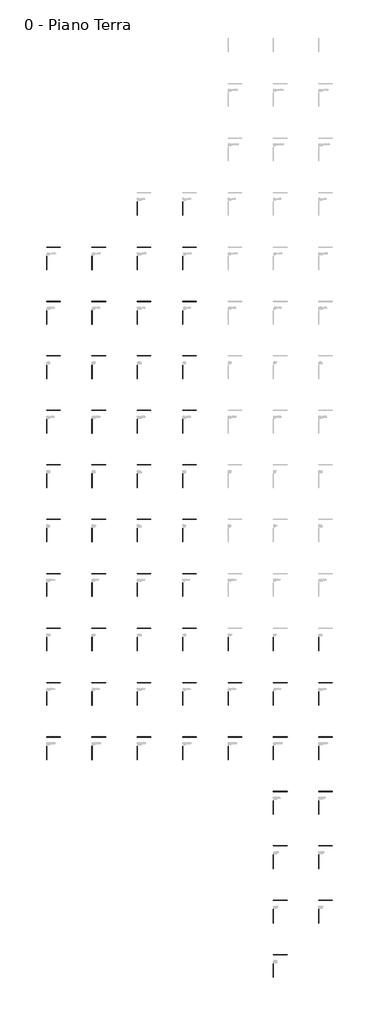
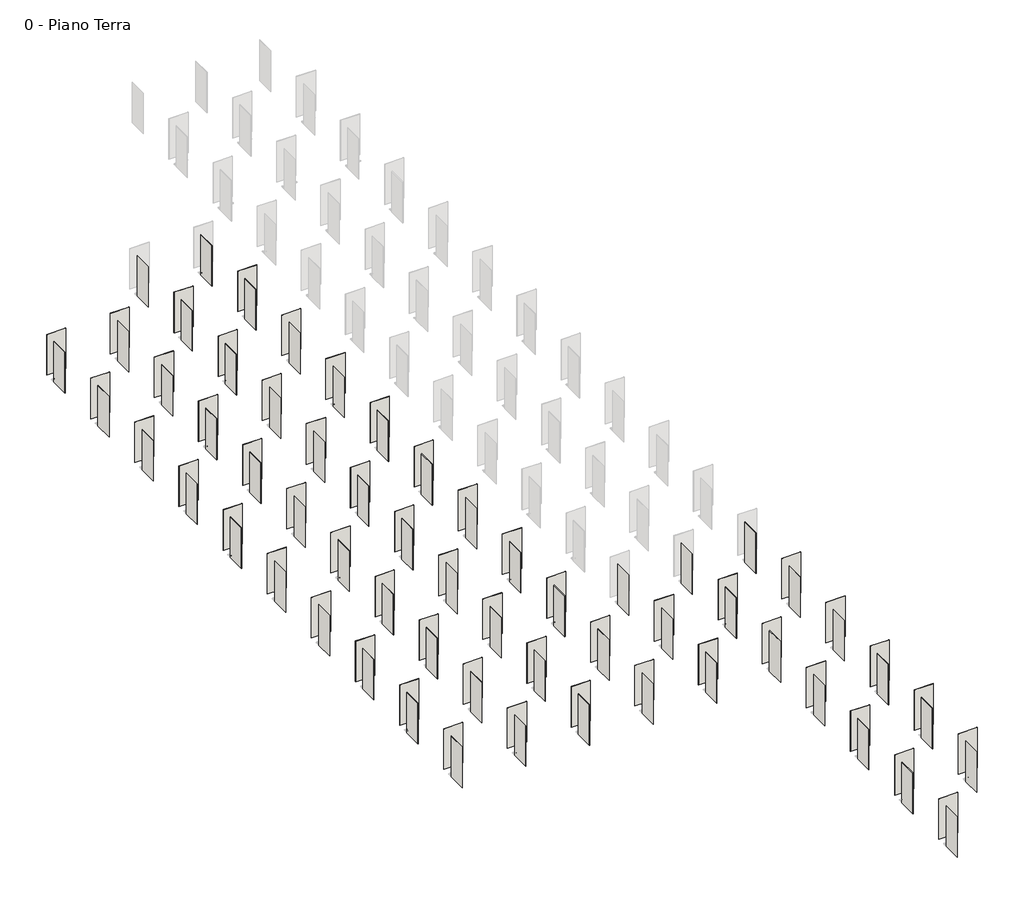
# One storey, part 1 of 35: 111 walls.
"""IFC4 building model written with IfcOpenShell, lengths in millimetres."""

import ifcopenshell
import ifcopenshell.guid

model = None  # the IFC model being written
_history = None  # IfcOwnerHistory: only IFC2X3 demands one
_inside = {}  # id of a spatial element -> (the spatial element, [elements in it])
_under = {}  # id of a project, library or spatial element -> (it, [spatial elements below it])
_declared = {}  # id of a project -> (the project, [libraries it declares])
_typed = {}  # id of a type object -> (the type object, [elements of that type])
_made_of = {}  # id of a material, layer set ... -> (it, [elements and type objects made of it])


def new_model(schema):
    """Start an empty IFC model of exactly this schema.

    Asked for "IFC4X3", IfcOpenShell would pick the latest addendum, in which some entities
    have other attributes; the version numbers below select the first issue.
    IFC2X3 requires an IfcOwnerHistory on every rooted entity: one is made here for all.
    """
    global model, _history
    if schema == "IFC4X3":
        model = ifcopenshell.file(schema_version=(4, 3, 0, 0))
    else:
        model = ifcopenshell.file(schema=schema)
    _inside.clear()
    _under.clear()
    _declared.clear()
    _typed.clear()
    _made_of.clear()
    _history = None
    if model.schema == "IFC2X3":
        org = make("IfcOrganization", Name="unknown")
        user = make(
            "IfcPersonAndOrganization",
            ThePerson=make("IfcPerson", FamilyName="unknown"),
            TheOrganization=org,
        )
        app = make(
            "IfcApplication",
            ApplicationDeveloper=org,
            Version="unknown",
            ApplicationFullName="unknown",
            ApplicationIdentifier="unknown",
        )
        _history = make(
            "IfcOwnerHistory",
            OwningUser=user,
            OwningApplication=app,
            ChangeAction="ADDED",
            CreationDate=0,
        )
    return model


def make(cls, **values):
    """One entity of the class cls with the attributes given. An attribute that is None is left unset."""
    return model.create_entity(
        cls, **{name: value for name, value in values.items() if value is not None}
    )


def rooted(cls, **values):
    """An entity with a GlobalId (a new one), such as an element, a storey or a relation."""
    return make(cls, GlobalId=ifcopenshell.guid.new(), OwnerHistory=_history, **values)


def si_unit(unit_type, name, prefix=None):
    """IfcSIUnit, for example si_unit("LENGTHUNIT", "METRE", prefix="MILLI")."""
    return make("IfcSIUnit", UnitType=unit_type, Prefix=prefix, Name=name)


def assignment(units):
    """IfcUnitAssignment: the units of a project."""
    return None if units is None else make("IfcUnitAssignment", Units=units)


def point(xyz):
    """IfcCartesianPoint."""
    return None if xyz is None else make("IfcCartesianPoint", Coordinates=xyz)


def direction(xyz):
    """IfcDirection."""
    return None if xyz is None else make("IfcDirection", DirectionRatios=xyz)


def frame(location, z_axis=None, x_axis=None):
    """IfcAxis2Placement3D, a coordinate frame: its origin and axes. An axis left out is left unset."""
    return make(
        "IfcAxis2Placement3D",
        Location=point(location),
        Axis=direction(z_axis),
        RefDirection=direction(x_axis),
    )


def origin():
    """The frame at (0, 0, 0) with its axes left unset."""
    return frame((0.0, 0.0, 0.0))


def origin_with_axes():
    """The frame at (0, 0, 0) with the z axis (0, 0, 1) and the x axis (1, 0, 0) written out."""
    return frame((0.0, 0.0, 0.0), z_axis=(0.0, 0.0, 1.0), x_axis=(1.0, 0.0, 0.0))


def place(relative_to, where):
    """IfcLocalPlacement: puts the frame where relative to a parent placement (None: the world)."""
    return make(
        "IfcLocalPlacement", PlacementRelTo=relative_to, RelativePlacement=where
    )


def context(
    kind, dimensions, precision=None, world=None, true_north=None, identifier=None
):
    """IfcGeometricRepresentationContext, for example the 3D "Model" context."""
    return make(
        "IfcGeometricRepresentationContext",
        ContextIdentifier=identifier,
        ContextType=kind,
        CoordinateSpaceDimension=dimensions,
        Precision=precision,
        WorldCoordinateSystem=world,
        TrueNorth=true_north,
    )


def project(units=None, contexts=None):
    """IfcProject with its units and contexts."""
    return rooted(
        "IfcProject",
        Name="project",
        RepresentationContexts=contexts,
        UnitsInContext=assignment(units),
    )


def spatial(cls, under=None, at=None, **own):
    """A site, building, storey or space (cls), placed at a placement, below another one or the project."""
    s = rooted(cls, ObjectPlacement=at, **own)
    if under is not None:
        _under.setdefault(under.id(), (under, []))[1].append(s)
    return s


def polyline(points):
    """IfcPolyline through the points."""
    return make("IfcPolyline", Points=[point(p) for p in points])


def outline(outer, holes=None, kind="AREA"):
    """IfcArbitraryClosedProfileDef: a profile drawn as a closed curve; with holes, ...WithVoids."""
    if holes is None:
        return make("IfcArbitraryClosedProfileDef", ProfileType=kind, OuterCurve=outer)
    return make(
        "IfcArbitraryProfileDefWithVoids",
        ProfileType=kind,
        OuterCurve=outer,
        InnerCurves=holes,
    )


def extrude(swept, where, along, depth):
    """IfcExtrudedAreaSolid: the profile swept, set in the frame where, extruded along a direction by depth."""
    return make(
        "IfcExtrudedAreaSolid",
        SweptArea=swept,
        Position=where,
        ExtrudedDirection=direction(along),
        Depth=depth,
    )


def shape(context_of_items, identifier, shape_type, items):
    """IfcShapeRepresentation: the items that make up one representation, for example the "Body"."""
    return make(
        "IfcShapeRepresentation",
        ContextOfItems=context_of_items,
        RepresentationIdentifier=identifier,
        RepresentationType=shape_type,
        Items=items,
    )


def made_of(thing, what):
    """Note that an element or type object is made of a material, layer set ...; save() writes the relation."""
    if what is not None:
        _made_of.setdefault(what.id(), (what, []))[1].append(thing)
    return thing


def element(
    cls,
    number,
    at=None,
    inside=None,
    cuts=None,
    type_object=None,
    material=None,
    context=None,
    identifier="Body",
    shape_type=None,
    held_by="IfcProductDefinitionShape",
    body=None,
    shapes=None,
    **own,
):
    """One element of the class cls, such as IfcWall. Its Tag is "e" and its number.

    at: its placement. inside: the storey or other place that contains it. cuts: it is an
    opening in that element (IfcRelVoidsElement). A single representation is given by context,
    identifier, shape_type and body (its items); several are given by shapes. held_by: the class
    of the entity that holds the representations. save() writes the other relations.
    """
    e = rooted(cls, Tag="e%d" % number, ObjectPlacement=at, **own)
    if body is not None:
        shapes = [shape(context, identifier, shape_type, body)]
    if shapes is not None:
        e.Representation = make(held_by, Representations=shapes)
    if inside is not None:
        _inside.setdefault(inside.id(), (inside, []))[1].append(e)
    if cuts is not None:
        rooted(
            "IfcRelVoidsElement", RelatingBuildingElement=cuts, RelatedOpeningElement=e
        )
    if type_object is not None:
        _typed.setdefault(type_object.id(), (type_object, []))[1].append(e)
    return made_of(e, material)


def aggregate(whole, parts):
    """IfcRelAggregates: a whole, such as a stair, and the parts it consists of."""
    return rooted("IfcRelAggregates", RelatingObject=whole, RelatedObjects=parts)


def save(model, path):
    """Write the relations noted so far, then the file.

    IfcRelAggregates (storeys below a building ...), IfcRelContainedInSpatialStructure (elements
    in a storey), IfcRelDefinesByType, IfcRelAssociatesMaterial and IfcRelDeclares: one each for
    every whole, place, type object, material and project.
    """
    for whole, parts in _under.values():
        aggregate(whole, parts)
    for where, things in _inside.values():
        rooted(
            "IfcRelContainedInSpatialStructure",
            RelatedElements=things,
            RelatingStructure=where,
        )
    for kind, things in _typed.values():
        rooted("IfcRelDefinesByType", RelatedObjects=things, RelatingType=kind)
    for what, things in _made_of.values():
        rooted("IfcRelAssociatesMaterial", RelatedObjects=things, RelatingMaterial=what)
    for by, libraries in _declared.values():
        rooted("IfcRelDeclares", RelatingContext=by, RelatedDefinitions=libraries)
    model.write(path)


model = new_model("IFC4")

# Units and contexts
model_context = context("Model", 3, world=origin())
ifc_project = project(units=[si_unit("LENGTHUNIT", "METRE", prefix="MILLI")], contexts=[model_context])

# Site, building, storey
site = spatial("IfcSite", under=ifc_project)
building = spatial("IfcBuilding", under=site)
storey = spatial("IfcBuildingStorey", under=building, Name="0 - Piano Terra", Elevation=0.0)

# Walls
placement = place(None, origin())
element("IfcWall", 1, at=placement, inside=storey, context=model_context, shape_type="SweptSolid", body=[
    extrude(outline(polyline([(-779.2581598, -5549.9429114), (-2279.2581598, -5549.9429114), (-2279.2581598, -5537.9429114), (-779.2581598, -5537.9429114), (-779.2581598, -5549.9429114)])), origin_with_axes(), (0.0, 0.0, 1.0), 3365.0),
])
element("IfcWall", 2, at=placement, inside=storey, context=model_context, shape_type="SweptSolid", body=[
    extrude(outline(polyline([(-5779.2581598, -5549.9429114), (-7279.2581598, -5549.9429114), (-7279.2581598, -5537.9429114), (-5779.2581598, -5537.9429114), (-5779.2581598, -5549.9429114)])), origin_with_axes(), (0.0, 0.0, 1.0), 3365.0),
])
element("IfcWall", 3, at=placement, inside=storey, context=model_context, shape_type="SweptSolid", body=[
    extrude(outline(polyline([(-779.2581598, -11549.9429114), (-2279.2581598, -11549.9429114), (-2279.2581598, -11537.9429114), (-779.2581598, -11537.9429114), (-779.2581598, -11549.9429114)])), origin_with_axes(), (0.0, 0.0, 1.0), 3365.0),
])
element("IfcWall", 4, at=placement, inside=storey, context=model_context, shape_type="SweptSolid", body=[
    extrude(outline(polyline([(-5779.2581598, -11549.9429114), (-7279.2581598, -11549.9429114), (-7279.2581598, -11537.9429114), (-5779.2581598, -11537.9429114), (-5779.2581598, -11549.9429114)])), origin_with_axes(), (0.0, 0.0, 1.0), 3365.0),
])
element("IfcWall", 5, at=placement, inside=storey, context=model_context, shape_type="SweptSolid", body=[
    extrude(outline(polyline([(-10779.2581598, -5549.9429114), (-12279.2581598, -5549.9429114), (-12279.2581598, -5537.9429114), (-10779.2581598, -5537.9429114), (-10779.2581598, -5549.9429114)])), origin_with_axes(), (0.0, 0.0, 1.0), 3365.0),
])
element("IfcWall", 6, at=placement, inside=storey, context=model_context, shape_type="SweptSolid", body=[
    extrude(outline(polyline([(-15779.2581598, -5549.9429114), (-17279.2581598, -5549.9429114), (-17279.2581598, -5537.9429114), (-15779.2581598, -5537.9429114), (-15779.2581598, -5549.9429114)])), origin_with_axes(), (0.0, 0.0, 1.0), 3365.0),
])
element("IfcWall", 7, at=placement, inside=storey, context=model_context, shape_type="SweptSolid", body=[
    extrude(outline(polyline([(-10779.2581598, -11549.9429114), (-12279.2581598, -11549.9429114), (-12279.2581598, -11537.9429114), (-10779.2581598, -11537.9429114), (-10779.2581598, -11549.9429114)])), origin_with_axes(), (0.0, 0.0, 1.0), 3365.0),
])
element("IfcWall", 8, at=placement, inside=storey, context=model_context, shape_type="SweptSolid", body=[
    extrude(outline(polyline([(-15779.2581598, -11549.9429114), (-17279.2581598, -11549.9429114), (-17279.2581598, -11537.9429114), (-15779.2581598, -11537.9429114), (-15779.2581598, -11549.9429114)])), origin_with_axes(), (0.0, 0.0, 1.0), 3365.0),
])
element("IfcWall", 9, at=placement, inside=storey, context=model_context, shape_type="SweptSolid", body=[
    extrude(outline(polyline([(-779.2581598, -17549.9429114), (-2279.2581598, -17549.9429114), (-2279.2581598, -17537.9429114), (-779.2581598, -17537.9429114), (-779.2581598, -17549.9429114)])), origin_with_axes(), (0.0, 0.0, 1.0), 3365.0),
])
element("IfcWall", 10, at=placement, inside=storey, context=model_context, shape_type="SweptSolid", body=[
    extrude(outline(polyline([(-5779.2581598, -17549.9429114), (-7279.2581598, -17549.9429114), (-7279.2581598, -17537.9429114), (-5779.2581598, -17537.9429114), (-5779.2581598, -17549.9429114)])), origin_with_axes(), (0.0, 0.0, 1.0), 3365.0),
])
element("IfcWall", 11, at=placement, inside=storey, context=model_context, shape_type="SweptSolid", body=[
    extrude(outline(polyline([(-10779.2581598, -17549.9429114), (-12279.2581598, -17549.9429114), (-12279.2581598, -17537.9429114), (-10779.2581598, -17537.9429114), (-10779.2581598, -17549.9429114)])), origin_with_axes(), (0.0, 0.0, 1.0), 3365.0),
])
element("IfcWall", 12, at=placement, inside=storey, context=model_context, shape_type="SweptSolid", body=[
    extrude(outline(polyline([(-15779.2581598, -17549.9429114), (-17279.2581598, -17549.9429114), (-17279.2581598, -17537.9429114), (-15779.2581598, -17537.9429114), (-15779.2581598, -17549.9429114)])), origin_with_axes(), (0.0, 0.0, 1.0), 3365.0),
])
element("IfcWall", 13, at=placement, inside=storey, context=model_context, shape_type="SweptSolid", body=[
    extrude(outline(polyline([(-779.2581598, -23549.9429114), (-2279.2581598, -23549.9429114), (-2279.2581598, -23537.9429114), (-779.2581598, -23537.9429114), (-779.2581598, -23549.9429114)])), origin_with_axes(), (0.0, 0.0, 1.0), 3365.0),
])
element("IfcWall", 14, at=placement, inside=storey, context=model_context, shape_type="SweptSolid", body=[
    extrude(outline(polyline([(-5779.2581598, -23549.9429114), (-7279.2581598, -23549.9429114), (-7279.2581598, -23537.9429114), (-5779.2581598, -23537.9429114), (-5779.2581598, -23549.9429114)])), origin_with_axes(), (0.0, 0.0, 1.0), 3365.0),
])
element("IfcWall", 15, at=placement, inside=storey, context=model_context, shape_type="SweptSolid", body=[
    extrude(outline(polyline([(-10779.2581598, -23549.9429114), (-12279.2581598, -23549.9429114), (-12279.2581598, -23537.9429114), (-10779.2581598, -23537.9429114), (-10779.2581598, -23549.9429114)])), origin_with_axes(), (0.0, 0.0, 1.0), 3365.0),
])
element("IfcWall", 16, at=placement, inside=storey, context=model_context, shape_type="SweptSolid", body=[
    extrude(outline(polyline([(-15779.2581598, -23549.9429114), (-17279.2581598, -23549.9429114), (-17279.2581598, -23537.9429114), (-15779.2581598, -23537.9429114), (-15779.2581598, -23549.9429114)])), origin_with_axes(), (0.0, 0.0, 1.0), 3365.0),
])
element("IfcWall", 17, at=placement, inside=storey, context=model_context, shape_type="SweptSolid", body=[
    extrude(outline(polyline([(-779.2581598, -29549.9429114), (-2279.2581598, -29549.9429114), (-2279.2581598, -29537.9429114), (-779.2581598, -29537.9429114), (-779.2581598, -29549.9429114)])), origin_with_axes(), (0.0, 0.0, 1.0), 3365.0),
])
element("IfcWall", 18, at=placement, inside=storey, context=model_context, shape_type="SweptSolid", body=[
    extrude(outline(polyline([(-5779.2581598, -29549.9429114), (-7279.2581598, -29549.9429114), (-7279.2581598, -29537.9429114), (-5779.2581598, -29537.9429114), (-5779.2581598, -29549.9429114)])), origin_with_axes(), (0.0, 0.0, 1.0), 3365.0),
])
element("IfcWall", 19, at=placement, inside=storey, context=model_context, shape_type="SweptSolid", body=[
    extrude(outline(polyline([(-10779.2581598, -29549.9429114), (-12279.2581598, -29549.9429114), (-12279.2581598, -29537.9429114), (-10779.2581598, -29537.9429114), (-10779.2581598, -29549.9429114)])), origin_with_axes(), (0.0, 0.0, 1.0), 3365.0),
])
element("IfcWall", 20, at=placement, inside=storey, context=model_context, shape_type="SweptSolid", body=[
    extrude(outline(polyline([(-15779.2581598, -29549.9429114), (-17279.2581598, -29549.9429114), (-17279.2581598, -29537.9429114), (-15779.2581598, -29537.9429114), (-15779.2581598, -29549.9429114)])), origin_with_axes(), (0.0, 0.0, 1.0), 3365.0),
])
element("IfcWall", 21, at=placement, inside=storey, context=model_context, shape_type="SweptSolid", body=[
    extrude(outline(polyline([(-779.2581598, -35549.9429114), (-2279.2581598, -35549.9429114), (-2279.2581598, -35537.9429114), (-779.2581598, -35537.9429114), (-779.2581598, -35549.9429114)])), origin_with_axes(), (0.0, 0.0, 1.0), 3365.0),
])
element("IfcWall", 22, at=placement, inside=storey, context=model_context, shape_type="SweptSolid", body=[
    extrude(outline(polyline([(-5779.2581598, -35549.9429114), (-7279.2581598, -35549.9429114), (-7279.2581598, -35537.9429114), (-5779.2581598, -35537.9429114), (-5779.2581598, -35549.9429114)])), origin_with_axes(), (0.0, 0.0, 1.0), 3365.0),
])
element("IfcWall", 23, at=placement, inside=storey, context=model_context, shape_type="SweptSolid", body=[
    extrude(outline(polyline([(-10779.2581598, -35549.9429114), (-12279.2581598, -35549.9429114), (-12279.2581598, -35537.9429114), (-10779.2581598, -35537.9429114), (-10779.2581598, -35549.9429114)])), origin_with_axes(), (0.0, 0.0, 1.0), 3365.0),
])
element("IfcWall", 24, at=placement, inside=storey, context=model_context, shape_type="SweptSolid", body=[
    extrude(outline(polyline([(-15779.2581598, -35549.9429114), (-17279.2581598, -35549.9429114), (-17279.2581598, -35537.9429114), (-15779.2581598, -35537.9429114), (-15779.2581598, -35549.9429114)])), origin_with_axes(), (0.0, 0.0, 1.0), 3365.0),
])
element("IfcWall", 25, at=placement, inside=storey, context=model_context, shape_type="SweptSolid", body=[
    extrude(outline(polyline([(-779.2581598, -41549.9429114), (-2279.2581598, -41549.9429114), (-2279.2581598, -41537.9429114), (-779.2581598, -41537.9429114), (-779.2581598, -41549.9429114)])), origin_with_axes(), (0.0, 0.0, 1.0), 3365.0),
])
element("IfcWall", 26, at=placement, inside=storey, context=model_context, shape_type="SweptSolid", body=[
    extrude(outline(polyline([(-5779.2581598, -41549.9429114), (-7279.2581598, -41549.9429114), (-7279.2581598, -41537.9429114), (-5779.2581598, -41537.9429114), (-5779.2581598, -41549.9429114)])), origin_with_axes(), (0.0, 0.0, 1.0), 3365.0),
])
element("IfcWall", 27, at=placement, inside=storey, context=model_context, shape_type="SweptSolid", body=[
    extrude(outline(polyline([(-10779.2581598, -41549.9429114), (-12279.2581598, -41549.9429114), (-12279.2581598, -41537.9429114), (-10779.2581598, -41537.9429114), (-10779.2581598, -41549.9429114)])), origin_with_axes(), (0.0, 0.0, 1.0), 3365.0),
])
element("IfcWall", 28, at=placement, inside=storey, context=model_context, shape_type="SweptSolid", body=[
    extrude(outline(polyline([(-15779.2581598, -41549.9429114), (-17279.2581598, -41549.9429114), (-17279.2581598, -41537.9429114), (-15779.2581598, -41537.9429114), (-15779.2581598, -41549.9429114)])), origin_with_axes(), (0.0, 0.0, 1.0), 3365.0),
])
element("IfcWall", 29, at=placement, inside=storey, context=model_context, shape_type="SweptSolid", body=[
    extrude(outline(polyline([(-779.2581598, -47549.9429114), (-2279.2581598, -47549.9429114), (-2279.2581598, -47537.9429114), (-779.2581598, -47537.9429114), (-779.2581598, -47549.9429114)])), origin_with_axes(), (0.0, 0.0, 1.0), 3365.0),
])
element("IfcWall", 30, at=placement, inside=storey, context=model_context, shape_type="SweptSolid", body=[
    extrude(outline(polyline([(-5779.2581598, -47549.9429114), (-7279.2581598, -47549.9429114), (-7279.2581598, -47537.9429114), (-5779.2581598, -47537.9429114), (-5779.2581598, -47549.9429114)])), origin_with_axes(), (0.0, 0.0, 1.0), 3365.0),
])
element("IfcWall", 31, at=placement, inside=storey, context=model_context, shape_type="SweptSolid", body=[
    extrude(outline(polyline([(-10779.2581598, -47549.9429114), (-12279.2581598, -47549.9429114), (-12279.2581598, -47537.9429114), (-10779.2581598, -47537.9429114), (-10779.2581598, -47549.9429114)])), origin_with_axes(), (0.0, 0.0, 1.0), 3365.0),
])
element("IfcWall", 32, at=placement, inside=storey, context=model_context, shape_type="SweptSolid", body=[
    extrude(outline(polyline([(-15779.2581598, -47549.9429114), (-17279.2581598, -47549.9429114), (-17279.2581598, -47537.9429114), (-15779.2581598, -47537.9429114), (-15779.2581598, -47549.9429114)])), origin_with_axes(), (0.0, 0.0, 1.0), 3365.0),
])
element("IfcWall", 33, at=placement, inside=storey, context=model_context, shape_type="SweptSolid", body=[
    extrude(outline(polyline([(4220.7418402, -53549.9429114), (2720.7418402, -53549.9429114), (2720.7418402, -53537.9429114), (4220.7418402, -53537.9429114), (4220.7418402, -53549.9429114)])), origin_with_axes(), (0.0, 0.0, 1.0), 3365.0),
])
element("IfcWall", 34, at=placement, inside=storey, context=model_context, shape_type="SweptSolid", body=[
    extrude(outline(polyline([(9220.7418402, -53549.9429114), (7720.7418402, -53549.9429114), (7720.7418402, -53537.9429114), (9220.7418402, -53537.9429114), (9220.7418402, -53549.9429114)])), origin_with_axes(), (0.0, 0.0, 1.0), 3365.0),
])
element("IfcWall", 35, at=placement, inside=storey, context=model_context, shape_type="SweptSolid", body=[
    extrude(outline(polyline([(14220.7418402, -53549.9429114), (12720.7418402, -53549.9429114), (12720.7418402, -53537.9429114), (14220.7418402, -53537.9429114), (14220.7418402, -53549.9429114)])), origin_with_axes(), (0.0, 0.0, 1.0), 3365.0),
])
element("IfcWall", 36, at=placement, inside=storey, context=model_context, shape_type="SweptSolid", body=[
    extrude(outline(polyline([(-779.2581598, -53549.9429114), (-2279.2581598, -53549.9429114), (-2279.2581598, -53537.9429114), (-779.2581598, -53537.9429114), (-779.2581598, -53549.9429114)])), origin_with_axes(), (0.0, 0.0, 1.0), 3365.0),
])
element("IfcWall", 37, at=placement, inside=storey, context=model_context, shape_type="SweptSolid", body=[
    extrude(outline(polyline([(-5779.2581598, -53549.9429114), (-7279.2581598, -53549.9429114), (-7279.2581598, -53537.9429114), (-5779.2581598, -53537.9429114), (-5779.2581598, -53549.9429114)])), origin_with_axes(), (0.0, 0.0, 1.0), 3365.0),
])
element("IfcWall", 38, at=placement, inside=storey, context=model_context, shape_type="SweptSolid", body=[
    extrude(outline(polyline([(-10779.2581598, -53549.9429114), (-12279.2581598, -53549.9429114), (-12279.2581598, -53537.9429114), (-10779.2581598, -53537.9429114), (-10779.2581598, -53549.9429114)])), origin_with_axes(), (0.0, 0.0, 1.0), 3365.0),
])
element("IfcWall", 39, at=placement, inside=storey, context=model_context, shape_type="SweptSolid", body=[
    extrude(outline(polyline([(-15779.2581598, -53549.9429114), (-17279.2581598, -53549.9429114), (-17279.2581598, -53537.9429114), (-15779.2581598, -53537.9429114), (-15779.2581598, -53549.9429114)])), origin_with_axes(), (0.0, 0.0, 1.0), 3365.0),
])
element("IfcWall", 40, at=placement, inside=storey, context=model_context, shape_type="SweptSolid", body=[
    extrude(outline(polyline([(4220.7418402, -59549.9429114), (2720.7418402, -59549.9429114), (2720.7418402, -59537.9429114), (4220.7418402, -59537.9429114), (4220.7418402, -59549.9429114)])), origin_with_axes(), (0.0, 0.0, 1.0), 3365.0),
])
element("IfcWall", 41, at=placement, inside=storey, context=model_context, shape_type="SweptSolid", body=[
    extrude(outline(polyline([(9220.7418402, -59549.9429114), (7720.7418402, -59549.9429114), (7720.7418402, -59537.9429114), (9220.7418402, -59537.9429114), (9220.7418402, -59549.9429114)])), origin_with_axes(), (0.0, 0.0, 1.0), 3365.0),
])
element("IfcWall", 42, at=placement, inside=storey, context=model_context, shape_type="SweptSolid", body=[
    extrude(outline(polyline([(14220.7418402, -59549.9429114), (12720.7418402, -59549.9429114), (12720.7418402, -59537.9429114), (14220.7418402, -59537.9429114), (14220.7418402, -59549.9429114)])), origin_with_axes(), (0.0, 0.0, 1.0), 3365.0),
])
element("IfcWall", 43, at=placement, inside=storey, context=model_context, shape_type="SweptSolid", body=[
    extrude(outline(polyline([(-779.2581598, -59549.9429114), (-2279.2581598, -59549.9429114), (-2279.2581598, -59537.9429114), (-779.2581598, -59537.9429114), (-779.2581598, -59549.9429114)])), origin_with_axes(), (0.0, 0.0, 1.0), 3365.0),
])
element("IfcWall", 44, at=placement, inside=storey, context=model_context, shape_type="SweptSolid", body=[
    extrude(outline(polyline([(-5779.2581598, -59549.9429114), (-7279.2581598, -59549.9429114), (-7279.2581598, -59537.9429114), (-5779.2581598, -59537.9429114), (-5779.2581598, -59549.9429114)])), origin_with_axes(), (0.0, 0.0, 1.0), 3365.0),
])
element("IfcWall", 45, at=placement, inside=storey, context=model_context, shape_type="SweptSolid", body=[
    extrude(outline(polyline([(-10779.2581598, -59549.9429114), (-12279.2581598, -59549.9429114), (-12279.2581598, -59537.9429114), (-10779.2581598, -59537.9429114), (-10779.2581598, -59549.9429114)])), origin_with_axes(), (0.0, 0.0, 1.0), 3365.0),
])
element("IfcWall", 46, at=placement, inside=storey, context=model_context, shape_type="SweptSolid", body=[
    extrude(outline(polyline([(-15779.2581598, -59549.9429114), (-17279.2581598, -59549.9429114), (-17279.2581598, -59537.9429114), (-15779.2581598, -59537.9429114), (-15779.2581598, -59549.9429114)])), origin_with_axes(), (0.0, 0.0, 1.0), 3365.0),
])
element("IfcWall", 47, at=placement, inside=storey, context=model_context, shape_type="SweptSolid", body=[
    extrude(outline(polyline([(9220.7418402, -65549.9429114), (7720.7418402, -65549.9429114), (7720.7418402, -65537.9429114), (9220.7418402, -65537.9429114), (9220.7418402, -65549.9429114)])), origin_with_axes(), (0.0, 0.0, 1.0), 3365.0),
])
element("IfcWall", 48, at=placement, inside=storey, context=model_context, shape_type="SweptSolid", body=[
    extrude(outline(polyline([(14220.7418402, -65549.9429114), (12720.7418402, -65549.9429114), (12720.7418402, -65537.9429114), (14220.7418402, -65537.9429114), (14220.7418402, -65549.9429114)])), origin_with_axes(), (0.0, 0.0, 1.0), 3365.0),
])
element("IfcWall", 49, at=placement, inside=storey, context=model_context, shape_type="SweptSolid", body=[
    extrude(outline(polyline([(9220.7418402, -71549.9429114), (7720.7418402, -71549.9429114), (7720.7418402, -71537.9429114), (9220.7418402, -71537.9429114), (9220.7418402, -71549.9429114)])), origin_with_axes(), (0.0, 0.0, 1.0), 3365.0),
])
element("IfcWall", 50, at=placement, inside=storey, context=model_context, shape_type="SweptSolid", body=[
    extrude(outline(polyline([(14220.7418402, -71549.9429114), (12720.7418402, -71549.9429114), (12720.7418402, -71537.9429114), (14220.7418402, -71537.9429114), (14220.7418402, -71549.9429114)])), origin_with_axes(), (0.0, 0.0, 1.0), 3365.0),
])
element("IfcWall", 51, at=placement, inside=storey, context=model_context, shape_type="SweptSolid", body=[
    extrude(outline(polyline([(9220.7418402, -77549.9429114), (7720.7418402, -77549.9429114), (7720.7418402, -77537.9429114), (9220.7418402, -77537.9429114), (9220.7418402, -77549.9429114)])), origin_with_axes(), (0.0, 0.0, 1.0), 3365.0),
])
element("IfcWall", 52, at=placement, inside=storey, context=model_context, shape_type="SweptSolid", body=[
    extrude(outline(polyline([(14220.7418402, -77549.9429114), (12720.7418402, -77549.9429114), (12720.7418402, -77537.9429114), (14220.7418402, -77537.9429114), (14220.7418402, -77549.9429114)])), origin_with_axes(), (0.0, 0.0, 1.0), 3365.0),
])
element("IfcWall", 53, at=placement, inside=storey, context=model_context, shape_type="SweptSolid", body=[
    extrude(outline(polyline([(9220.7418402, -83549.9429114), (7720.7418402, -83549.9429114), (7720.7418402, -83537.9429114), (9220.7418402, -83537.9429114), (9220.7418402, -83549.9429114)])), origin_with_axes(), (0.0, 0.0, 1.0), 3365.0),
])
element("IfcWall", 54, at=placement, inside=storey, context=model_context, shape_type="SweptSolid", body=[
    extrude(outline(polyline([(-2285.2581598, -2043.9429114), (-2285.2581598, -543.9429114), (-2273.2581598, -543.9429114), (-2273.2581598, -2043.9429114), (-2285.2581598, -2043.9429114)])), origin_with_axes(), (0.0, 0.0, 1.0), 3365.0),
])
element("IfcWall", 55, at=placement, inside=storey, context=model_context, shape_type="SweptSolid", body=[
    extrude(outline(polyline([(-7285.2581598, -2043.9429114), (-7285.2581598, -543.9429114), (-7273.2581598, -543.9429114), (-7273.2581598, -2043.9429114), (-7285.2581598, -2043.9429114)])), origin_with_axes(), (0.0, 0.0, 1.0), 3365.0),
])
element("IfcWall", 56, at=placement, inside=storey, context=model_context, shape_type="SweptSolid", body=[
    extrude(outline(polyline([(-2285.2581598, -8043.9429114), (-2285.2581598, -6543.9429114), (-2273.2581598, -6543.9429114), (-2273.2581598, -8043.9429114), (-2285.2581598, -8043.9429114)])), origin_with_axes(), (0.0, 0.0, 1.0), 3365.0),
])
element("IfcWall", 57, at=placement, inside=storey, context=model_context, shape_type="SweptSolid", body=[
    extrude(outline(polyline([(-7285.2581598, -8043.9429114), (-7285.2581598, -6543.9429114), (-7273.2581598, -6543.9429114), (-7273.2581598, -8043.9429114), (-7285.2581598, -8043.9429114)])), origin_with_axes(), (0.0, 0.0, 1.0), 3365.0),
])
element("IfcWall", 58, at=placement, inside=storey, context=model_context, shape_type="SweptSolid", body=[
    extrude(outline(polyline([(-12285.2581598, -8043.9429114), (-12285.2581598, -6543.9429114), (-12273.2581598, -6543.9429114), (-12273.2581598, -8043.9429114), (-12285.2581598, -8043.9429114)])), origin_with_axes(), (0.0, 0.0, 1.0), 3365.0),
])
element("IfcWall", 59, at=placement, inside=storey, context=model_context, shape_type="SweptSolid", body=[
    extrude(outline(polyline([(-17285.2581598, -8043.9429114), (-17285.2581598, -6543.9429114), (-17273.2581598, -6543.9429114), (-17273.2581598, -8043.9429114), (-17285.2581598, -8043.9429114)])), origin_with_axes(), (0.0, 0.0, 1.0), 3365.0),
])
element("IfcWall", 60, at=placement, inside=storey, context=model_context, shape_type="SweptSolid", body=[
    extrude(outline(polyline([(-2285.2581598, -14043.9429114), (-2285.2581598, -12543.9429114), (-2273.2581598, -12543.9429114), (-2273.2581598, -14043.9429114), (-2285.2581598, -14043.9429114)])), origin_with_axes(), (0.0, 0.0, 1.0), 3365.0),
])
element("IfcWall", 61, at=placement, inside=storey, context=model_context, shape_type="SweptSolid", body=[
    extrude(outline(polyline([(-7285.2581598, -14043.9429114), (-7285.2581598, -12543.9429114), (-7273.2581598, -12543.9429114), (-7273.2581598, -14043.9429114), (-7285.2581598, -14043.9429114)])), origin_with_axes(), (0.0, 0.0, 1.0), 3365.0),
])
element("IfcWall", 62, at=placement, inside=storey, context=model_context, shape_type="SweptSolid", body=[
    extrude(outline(polyline([(-12285.2581598, -14043.9429114), (-12285.2581598, -12543.9429114), (-12273.2581598, -12543.9429114), (-12273.2581598, -14043.9429114), (-12285.2581598, -14043.9429114)])), origin_with_axes(), (0.0, 0.0, 1.0), 3365.0),
])
element("IfcWall", 63, at=placement, inside=storey, context=model_context, shape_type="SweptSolid", body=[
    extrude(outline(polyline([(-17285.2581598, -14043.9429114), (-17285.2581598, -12543.9429114), (-17273.2581598, -12543.9429114), (-17273.2581598, -14043.9429114), (-17285.2581598, -14043.9429114)])), origin_with_axes(), (0.0, 0.0, 1.0), 3365.0),
])
element("IfcWall", 64, at=placement, inside=storey, context=model_context, shape_type="SweptSolid", body=[
    extrude(outline(polyline([(-2285.2581598, -20043.9429114), (-2285.2581598, -18543.9429114), (-2273.2581598, -18543.9429114), (-2273.2581598, -20043.9429114), (-2285.2581598, -20043.9429114)])), origin_with_axes(), (0.0, 0.0, 1.0), 3365.0),
])
element("IfcWall", 65, at=placement, inside=storey, context=model_context, shape_type="SweptSolid", body=[
    extrude(outline(polyline([(-7285.2581598, -20043.9429114), (-7285.2581598, -18543.9429114), (-7273.2581598, -18543.9429114), (-7273.2581598, -20043.9429114), (-7285.2581598, -20043.9429114)])), origin_with_axes(), (0.0, 0.0, 1.0), 3365.0),
])
element("IfcWall", 66, at=placement, inside=storey, context=model_context, shape_type="SweptSolid", body=[
    extrude(outline(polyline([(-12285.2581598, -20043.9429114), (-12285.2581598, -18543.9429114), (-12273.2581598, -18543.9429114), (-12273.2581598, -20043.9429114), (-12285.2581598, -20043.9429114)])), origin_with_axes(), (0.0, 0.0, 1.0), 3365.0),
])
element("IfcWall", 67, at=placement, inside=storey, context=model_context, shape_type="SweptSolid", body=[
    extrude(outline(polyline([(-17285.2581598, -20043.9429114), (-17285.2581598, -18543.9429114), (-17273.2581598, -18543.9429114), (-17273.2581598, -20043.9429114), (-17285.2581598, -20043.9429114)])), origin_with_axes(), (0.0, 0.0, 1.0), 3365.0),
])
element("IfcWall", 68, at=placement, inside=storey, context=model_context, shape_type="SweptSolid", body=[
    extrude(outline(polyline([(-2285.2581598, -26043.9429114), (-2285.2581598, -24543.9429114), (-2273.2581598, -24543.9429114), (-2273.2581598, -26043.9429114), (-2285.2581598, -26043.9429114)])), origin_with_axes(), (0.0, 0.0, 1.0), 3365.0),
])
element("IfcWall", 69, at=placement, inside=storey, context=model_context, shape_type="SweptSolid", body=[
    extrude(outline(polyline([(-7285.2581598, -26043.9429114), (-7285.2581598, -24543.9429114), (-7273.2581598, -24543.9429114), (-7273.2581598, -26043.9429114), (-7285.2581598, -26043.9429114)])), origin_with_axes(), (0.0, 0.0, 1.0), 3365.0),
])
element("IfcWall", 70, at=placement, inside=storey, context=model_context, shape_type="SweptSolid", body=[
    extrude(outline(polyline([(-12285.2581598, -26043.9429114), (-12285.2581598, -24543.9429114), (-12273.2581598, -24543.9429114), (-12273.2581598, -26043.9429114), (-12285.2581598, -26043.9429114)])), origin_with_axes(), (0.0, 0.0, 1.0), 3365.0),
])
element("IfcWall", 71, at=placement, inside=storey, context=model_context, shape_type="SweptSolid", body=[
    extrude(outline(polyline([(-17285.2581598, -26043.9429114), (-17285.2581598, -24543.9429114), (-17273.2581598, -24543.9429114), (-17273.2581598, -26043.9429114), (-17285.2581598, -26043.9429114)])), origin_with_axes(), (0.0, 0.0, 1.0), 3365.0),
])
element("IfcWall", 72, at=placement, inside=storey, context=model_context, shape_type="SweptSolid", body=[
    extrude(outline(polyline([(-2285.2581598, -32043.9429114), (-2285.2581598, -30543.9429114), (-2273.2581598, -30543.9429114), (-2273.2581598, -32043.9429114), (-2285.2581598, -32043.9429114)])), origin_with_axes(), (0.0, 0.0, 1.0), 3365.0),
])
element("IfcWall", 73, at=placement, inside=storey, context=model_context, shape_type="SweptSolid", body=[
    extrude(outline(polyline([(-7285.2581598, -32043.9429114), (-7285.2581598, -30543.9429114), (-7273.2581598, -30543.9429114), (-7273.2581598, -32043.9429114), (-7285.2581598, -32043.9429114)])), origin_with_axes(), (0.0, 0.0, 1.0), 3365.0),
])
element("IfcWall", 74, at=placement, inside=storey, context=model_context, shape_type="SweptSolid", body=[
    extrude(outline(polyline([(-12285.2581598, -32043.9429114), (-12285.2581598, -30543.9429114), (-12273.2581598, -30543.9429114), (-12273.2581598, -32043.9429114), (-12285.2581598, -32043.9429114)])), origin_with_axes(), (0.0, 0.0, 1.0), 3365.0),
])
element("IfcWall", 75, at=placement, inside=storey, context=model_context, shape_type="SweptSolid", body=[
    extrude(outline(polyline([(-17285.2581598, -32043.9429114), (-17285.2581598, -30543.9429114), (-17273.2581598, -30543.9429114), (-17273.2581598, -32043.9429114), (-17285.2581598, -32043.9429114)])), origin_with_axes(), (0.0, 0.0, 1.0), 3365.0),
])
element("IfcWall", 76, at=placement, inside=storey, context=model_context, shape_type="SweptSolid", body=[
    extrude(outline(polyline([(-2285.2581598, -38043.9429114), (-2285.2581598, -36543.9429114), (-2273.2581598, -36543.9429114), (-2273.2581598, -38043.9429114), (-2285.2581598, -38043.9429114)])), origin_with_axes(), (0.0, 0.0, 1.0), 3365.0),
])
element("IfcWall", 77, at=placement, inside=storey, context=model_context, shape_type="SweptSolid", body=[
    extrude(outline(polyline([(-7285.2581598, -38043.9429114), (-7285.2581598, -36543.9429114), (-7273.2581598, -36543.9429114), (-7273.2581598, -38043.9429114), (-7285.2581598, -38043.9429114)])), origin_with_axes(), (0.0, 0.0, 1.0), 3365.0),
])
element("IfcWall", 78, at=placement, inside=storey, context=model_context, shape_type="SweptSolid", body=[
    extrude(outline(polyline([(-12285.2581598, -38043.9429114), (-12285.2581598, -36543.9429114), (-12273.2581598, -36543.9429114), (-12273.2581598, -38043.9429114), (-12285.2581598, -38043.9429114)])), origin_with_axes(), (0.0, 0.0, 1.0), 3365.0),
])
element("IfcWall", 79, at=placement, inside=storey, context=model_context, shape_type="SweptSolid", body=[
    extrude(outline(polyline([(-17285.2581598, -38043.9429114), (-17285.2581598, -36543.9429114), (-17273.2581598, -36543.9429114), (-17273.2581598, -38043.9429114), (-17285.2581598, -38043.9429114)])), origin_with_axes(), (0.0, 0.0, 1.0), 3365.0),
])
element("IfcWall", 80, at=placement, inside=storey, context=model_context, shape_type="SweptSolid", body=[
    extrude(outline(polyline([(-2285.2581598, -44043.9429114), (-2285.2581598, -42543.9429114), (-2273.2581598, -42543.9429114), (-2273.2581598, -44043.9429114), (-2285.2581598, -44043.9429114)])), origin_with_axes(), (0.0, 0.0, 1.0), 3365.0),
])
element("IfcWall", 81, at=placement, inside=storey, context=model_context, shape_type="SweptSolid", body=[
    extrude(outline(polyline([(-7285.2581598, -44043.9429114), (-7285.2581598, -42543.9429114), (-7273.2581598, -42543.9429114), (-7273.2581598, -44043.9429114), (-7285.2581598, -44043.9429114)])), origin_with_axes(), (0.0, 0.0, 1.0), 3365.0),
])
element("IfcWall", 82, at=placement, inside=storey, context=model_context, shape_type="SweptSolid", body=[
    extrude(outline(polyline([(-12285.2581598, -44043.9429114), (-12285.2581598, -42543.9429114), (-12273.2581598, -42543.9429114), (-12273.2581598, -44043.9429114), (-12285.2581598, -44043.9429114)])), origin_with_axes(), (0.0, 0.0, 1.0), 3365.0),
])
element("IfcWall", 83, at=placement, inside=storey, context=model_context, shape_type="SweptSolid", body=[
    extrude(outline(polyline([(-17285.2581598, -44043.9429114), (-17285.2581598, -42543.9429114), (-17273.2581598, -42543.9429114), (-17273.2581598, -44043.9429114), (-17285.2581598, -44043.9429114)])), origin_with_axes(), (0.0, 0.0, 1.0), 3365.0),
])
element("IfcWall", 84, at=placement, inside=storey, context=model_context, shape_type="SweptSolid", body=[
    extrude(outline(polyline([(2714.7418402, -50043.9429114), (2714.7418402, -48543.9429114), (2726.7418402, -48543.9429114), (2726.7418402, -50043.9429114), (2714.7418402, -50043.9429114)])), origin_with_axes(), (0.0, 0.0, 1.0), 3365.0),
])
element("IfcWall", 85, at=placement, inside=storey, context=model_context, shape_type="SweptSolid", body=[
    extrude(outline(polyline([(7714.7418402, -50043.9429114), (7714.7418402, -48543.9429114), (7726.7418402, -48543.9429114), (7726.7418402, -50043.9429114), (7714.7418402, -50043.9429114)])), origin_with_axes(), (0.0, 0.0, 1.0), 3365.0),
])
element("IfcWall", 86, at=placement, inside=storey, context=model_context, shape_type="SweptSolid", body=[
    extrude(outline(polyline([(12714.7418402, -50043.9429114), (12714.7418402, -48543.9429114), (12726.7418402, -48543.9429114), (12726.7418402, -50043.9429114), (12714.7418402, -50043.9429114)])), origin_with_axes(), (0.0, 0.0, 1.0), 3365.0),
])
element("IfcWall", 87, at=placement, inside=storey, context=model_context, shape_type="SweptSolid", body=[
    extrude(outline(polyline([(-2285.2581598, -50043.9429114), (-2285.2581598, -48543.9429114), (-2273.2581598, -48543.9429114), (-2273.2581598, -50043.9429114), (-2285.2581598, -50043.9429114)])), origin_with_axes(), (0.0, 0.0, 1.0), 3365.0),
])
element("IfcWall", 88, at=placement, inside=storey, context=model_context, shape_type="SweptSolid", body=[
    extrude(outline(polyline([(-7285.2581598, -50043.9429114), (-7285.2581598, -48543.9429114), (-7273.2581598, -48543.9429114), (-7273.2581598, -50043.9429114), (-7285.2581598, -50043.9429114)])), origin_with_axes(), (0.0, 0.0, 1.0), 3365.0),
])
element("IfcWall", 89, at=placement, inside=storey, context=model_context, shape_type="SweptSolid", body=[
    extrude(outline(polyline([(-12285.2581598, -50043.9429114), (-12285.2581598, -48543.9429114), (-12273.2581598, -48543.9429114), (-12273.2581598, -50043.9429114), (-12285.2581598, -50043.9429114)])), origin_with_axes(), (0.0, 0.0, 1.0), 3365.0),
])
element("IfcWall", 90, at=placement, inside=storey, context=model_context, shape_type="SweptSolid", body=[
    extrude(outline(polyline([(-17285.2581598, -50043.9429114), (-17285.2581598, -48543.9429114), (-17273.2581598, -48543.9429114), (-17273.2581598, -50043.9429114), (-17285.2581598, -50043.9429114)])), origin_with_axes(), (0.0, 0.0, 1.0), 3365.0),
])
element("IfcWall", 91, at=placement, inside=storey, context=model_context, shape_type="SweptSolid", body=[
    extrude(outline(polyline([(2714.7418402, -56043.9429114), (2714.7418402, -54543.9429114), (2726.7418402, -54543.9429114), (2726.7418402, -56043.9429114), (2714.7418402, -56043.9429114)])), origin_with_axes(), (0.0, 0.0, 1.0), 3365.0),
])
element("IfcWall", 92, at=placement, inside=storey, context=model_context, shape_type="SweptSolid", body=[
    extrude(outline(polyline([(7714.7418402, -56043.9429114), (7714.7418402, -54543.9429114), (7726.7418402, -54543.9429114), (7726.7418402, -56043.9429114), (7714.7418402, -56043.9429114)])), origin_with_axes(), (0.0, 0.0, 1.0), 3365.0),
])
element("IfcWall", 93, at=placement, inside=storey, context=model_context, shape_type="SweptSolid", body=[
    extrude(outline(polyline([(12714.7418402, -56043.9429114), (12714.7418402, -54543.9429114), (12726.7418402, -54543.9429114), (12726.7418402, -56043.9429114), (12714.7418402, -56043.9429114)])), origin_with_axes(), (0.0, 0.0, 1.0), 3365.0),
])
element("IfcWall", 94, at=placement, inside=storey, context=model_context, shape_type="SweptSolid", body=[
    extrude(outline(polyline([(-2285.2581598, -56043.9429114), (-2285.2581598, -54543.9429114), (-2273.2581598, -54543.9429114), (-2273.2581598, -56043.9429114), (-2285.2581598, -56043.9429114)])), origin_with_axes(), (0.0, 0.0, 1.0), 3365.0),
])
element("IfcWall", 95, at=placement, inside=storey, context=model_context, shape_type="SweptSolid", body=[
    extrude(outline(polyline([(-7285.2581598, -56043.9429114), (-7285.2581598, -54543.9429114), (-7273.2581598, -54543.9429114), (-7273.2581598, -56043.9429114), (-7285.2581598, -56043.9429114)])), origin_with_axes(), (0.0, 0.0, 1.0), 3365.0),
])
element("IfcWall", 96, at=placement, inside=storey, context=model_context, shape_type="SweptSolid", body=[
    extrude(outline(polyline([(-12285.2581598, -56043.9429114), (-12285.2581598, -54543.9429114), (-12273.2581598, -54543.9429114), (-12273.2581598, -56043.9429114), (-12285.2581598, -56043.9429114)])), origin_with_axes(), (0.0, 0.0, 1.0), 3365.0),
])
element("IfcWall", 97, at=placement, inside=storey, context=model_context, shape_type="SweptSolid", body=[
    extrude(outline(polyline([(-17285.2581598, -56043.9429114), (-17285.2581598, -54543.9429114), (-17273.2581598, -54543.9429114), (-17273.2581598, -56043.9429114), (-17285.2581598, -56043.9429114)])), origin_with_axes(), (0.0, 0.0, 1.0), 3365.0),
])
element("IfcWall", 98, at=placement, inside=storey, context=model_context, shape_type="SweptSolid", body=[
    extrude(outline(polyline([(2714.7418402, -62043.9429114), (2714.7418402, -60543.9429114), (2726.7418402, -60543.9429114), (2726.7418402, -62043.9429114), (2714.7418402, -62043.9429114)])), origin_with_axes(), (0.0, 0.0, 1.0), 3365.0),
])
element("IfcWall", 99, at=placement, inside=storey, context=model_context, shape_type="SweptSolid", body=[
    extrude(outline(polyline([(7714.7418402, -62043.9429114), (7714.7418402, -60543.9429114), (7726.7418402, -60543.9429114), (7726.7418402, -62043.9429114), (7714.7418402, -62043.9429114)])), origin_with_axes(), (0.0, 0.0, 1.0), 3365.0),
])
element("IfcWall", 100, at=placement, inside=storey, context=model_context, shape_type="SweptSolid", body=[
    extrude(outline(polyline([(12714.7418402, -62043.9429114), (12714.7418402, -60543.9429114), (12726.7418402, -60543.9429114), (12726.7418402, -62043.9429114), (12714.7418402, -62043.9429114)])), origin_with_axes(), (0.0, 0.0, 1.0), 3365.0),
])
element("IfcWall", 101, at=placement, inside=storey, context=model_context, shape_type="SweptSolid", body=[
    extrude(outline(polyline([(-2285.2581598, -62043.9429114), (-2285.2581598, -60543.9429114), (-2273.2581598, -60543.9429114), (-2273.2581598, -62043.9429114), (-2285.2581598, -62043.9429114)])), origin_with_axes(), (0.0, 0.0, 1.0), 3365.0),
])
element("IfcWall", 102, at=placement, inside=storey, context=model_context, shape_type="SweptSolid", body=[
    extrude(outline(polyline([(-7285.2581598, -62043.9429114), (-7285.2581598, -60543.9429114), (-7273.2581598, -60543.9429114), (-7273.2581598, -62043.9429114), (-7285.2581598, -62043.9429114)])), origin_with_axes(), (0.0, 0.0, 1.0), 3365.0),
])
element("IfcWall", 103, at=placement, inside=storey, context=model_context, shape_type="SweptSolid", body=[
    extrude(outline(polyline([(-12285.2581598, -62043.9429114), (-12285.2581598, -60543.9429114), (-12273.2581598, -60543.9429114), (-12273.2581598, -62043.9429114), (-12285.2581598, -62043.9429114)])), origin_with_axes(), (0.0, 0.0, 1.0), 3365.0),
])
element("IfcWall", 104, at=placement, inside=storey, context=model_context, shape_type="SweptSolid", body=[
    extrude(outline(polyline([(-17285.2581598, -62043.9429114), (-17285.2581598, -60543.9429114), (-17273.2581598, -60543.9429114), (-17273.2581598, -62043.9429114), (-17285.2581598, -62043.9429114)])), origin_with_axes(), (0.0, 0.0, 1.0), 3365.0),
])
element("IfcWall", 105, at=placement, inside=storey, context=model_context, shape_type="SweptSolid", body=[
    extrude(outline(polyline([(7714.7418402, -68043.9429114), (7714.7418402, -66543.9429114), (7726.7418402, -66543.9429114), (7726.7418402, -68043.9429114), (7714.7418402, -68043.9429114)])), origin_with_axes(), (0.0, 0.0, 1.0), 3365.0),
])
element("IfcWall", 106, at=placement, inside=storey, context=model_context, shape_type="SweptSolid", body=[
    extrude(outline(polyline([(12714.7418402, -68043.9429114), (12714.7418402, -66543.9429114), (12726.7418402, -66543.9429114), (12726.7418402, -68043.9429114), (12714.7418402, -68043.9429114)])), origin_with_axes(), (0.0, 0.0, 1.0), 3365.0),
])
element("IfcWall", 107, at=placement, inside=storey, context=model_context, shape_type="SweptSolid", body=[
    extrude(outline(polyline([(7714.7418402, -74043.9429114), (7714.7418402, -72543.9429114), (7726.7418402, -72543.9429114), (7726.7418402, -74043.9429114), (7714.7418402, -74043.9429114)])), origin_with_axes(), (0.0, 0.0, 1.0), 3365.0),
])
element("IfcWall", 108, at=placement, inside=storey, context=model_context, shape_type="SweptSolid", body=[
    extrude(outline(polyline([(12714.7418402, -74043.9429114), (12714.7418402, -72543.9429114), (12726.7418402, -72543.9429114), (12726.7418402, -74043.9429114), (12714.7418402, -74043.9429114)])), origin_with_axes(), (0.0, 0.0, 1.0), 3365.0),
])
element("IfcWall", 109, at=placement, inside=storey, context=model_context, shape_type="SweptSolid", body=[
    extrude(outline(polyline([(7714.7418402, -80043.9429114), (7714.7418402, -78543.9429114), (7726.7418402, -78543.9429114), (7726.7418402, -80043.9429114), (7714.7418402, -80043.9429114)])), origin_with_axes(), (0.0, 0.0, 1.0), 3365.0),
])
element("IfcWall", 110, at=placement, inside=storey, context=model_context, shape_type="SweptSolid", body=[
    extrude(outline(polyline([(12714.7418402, -80043.9429114), (12714.7418402, -78543.9429114), (12726.7418402, -78543.9429114), (12726.7418402, -80043.9429114), (12714.7418402, -80043.9429114)])), origin_with_axes(), (0.0, 0.0, 1.0), 3365.0),
])
element("IfcWall", 111, at=placement, inside=storey, context=model_context, shape_type="SweptSolid", body=[
    extrude(outline(polyline([(7714.7418402, -86043.9429114), (7714.7418402, -84543.9429114), (7726.7418402, -84543.9429114), (7726.7418402, -86043.9429114), (7714.7418402, -86043.9429114)])), origin_with_axes(), (0.0, 0.0, 1.0), 3365.0),
])

save(model, "model.ifc")
